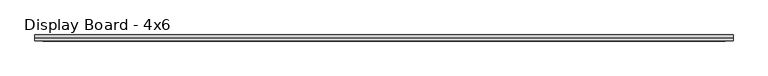
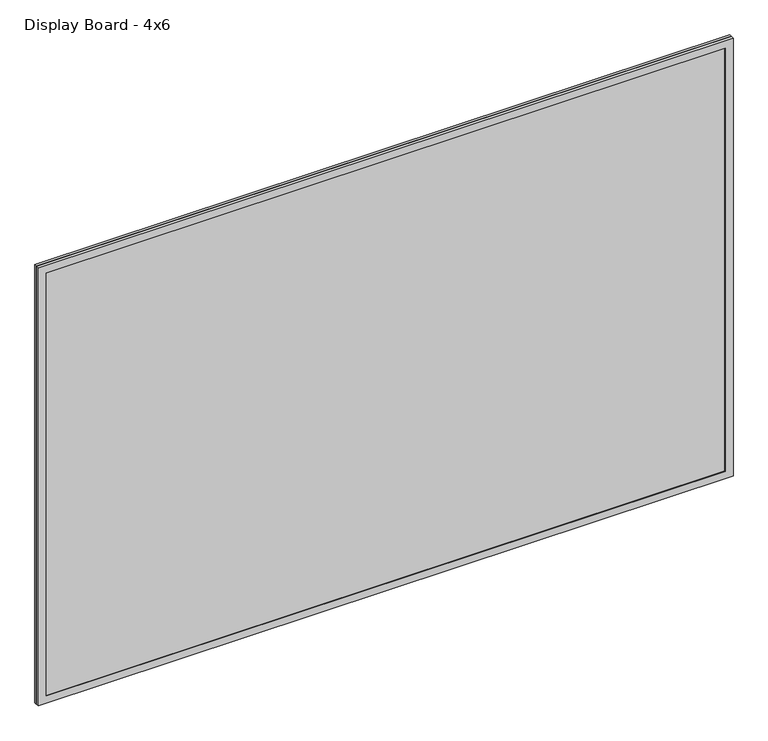
"""IFC4 building model written with IfcOpenShell, lengths in millimetres: furniture geometry, Display Board - 4x6."""

from ifc_helpers import new_model, si_unit, frame, origin, place, context, project, spatial, polyline, outline, extrude, faceted_brep, source, transform, mapped, element, save


def display_board_4x6_61789a61(model_context):
    return source(origin(), model_context, "Body", "SolidModel", [
        extrude(outline(polyline([(914.4, -83.0401667), (-914.4, -83.0401667), (-914.4, -76.2), (914.4, -76.2), (914.4, -83.0401667)])), frame((0.0, 0.0, 912.8125), z_axis=(0.0, 0.0, 1.0), x_axis=(1.0, 0.0, 0.0)), (0.0, 0.0, 1.0), 1219.2),
        faceted_brep([(-912.8125, -77.7875, 2130.425), (-912.8125, -90.4875, 2130.425), (-912.8125, -90.4875, 914.4), (-912.8125, -77.7875, 914.4), (912.8125, -90.4875, 914.4), (912.8125, -90.4875, 2130.425), (893.7625, -90.4875, 2111.375), (-893.7625, -90.4875, 2111.375), (-893.7625, -90.4875, 933.45), (893.7625, -90.4875, 933.45), (912.8125, -77.7875, 914.4), (912.8125, -77.7875, 2130.425), (893.7625, -77.7875, 933.45), (-893.7625, -77.7875, 933.45), (-893.7625, -77.7875, 2111.375), (893.7625, -77.7875, 2111.375), (-893.7625, -76.2, 2111.375), (-893.7625, -76.2, 933.45), (893.7625, -76.2, 933.45), (914.4, -76.2, 912.8125), (-914.4, -76.2, 912.8125), (-914.4, -76.2, 2132.0125), (914.4, -76.2, 2132.0125), (893.7625, -76.2, 2111.375), (-914.4, -92.075, 2132.0125), (-914.4, -92.075, 912.8125), (914.4, -92.075, 912.8125), (914.4, -92.075, 2132.0125), (893.7625, -92.075, 933.45), (-893.7625, -92.075, 933.45), (-893.7625, -92.075, 2111.375), (893.7625, -92.075, 2111.375)], [[[0, 1, 2, 3]], [[4, 2, 1, 5], [6, 7, 8, 9]], [[3, 2, 4, 10]], [[11, 0, 3, 10], [12, 13, 14, 15]], [[16, 14, 13, 17]], [[17, 13, 12, 18]], [[19, 20, 21, 22], [23, 16, 17, 18]], [[24, 21, 20, 25]], [[25, 20, 19, 26]], [[27, 24, 25, 26], [28, 29, 30, 31]], [[7, 30, 29, 8]], [[8, 29, 28, 9]], [[10, 4, 5, 11]], [[9, 28, 31, 6]], [[18, 12, 15, 23]], [[26, 19, 22, 27]], [[11, 5, 1, 0]], [[23, 15, 14, 16]], [[27, 22, 21, 24]], [[6, 31, 30, 7]]]),
    ])


if __name__ == "__main__":
    model = new_model("IFC4")
    model_context = context("Model", 3, world=origin())
    ifc_project = project(units=[si_unit("LENGTHUNIT", "METRE", prefix="MILLI")], contexts=[model_context])
    site = spatial("IfcSite", under=ifc_project)
    building = spatial("IfcBuilding", under=site)
    placement = place(None, origin())
    display_board_4x6_shape = display_board_4x6_61789a61(model_context)
    element("IfcFurniture", 1, ObjectType="Display Board - 4x6", at=placement, inside=building, context=model_context, shape_type="MappedRepresentation", body=[
        mapped(display_board_4x6_shape, transform((0.0, 0.0, 0.0), x_axis=(1.0, 0.0, 0.0), y_axis=(0.0, 1.0, 0.0), z_axis=(0.0, 0.0, 1.0))),
    ])
    save(model, "model.ifc")
